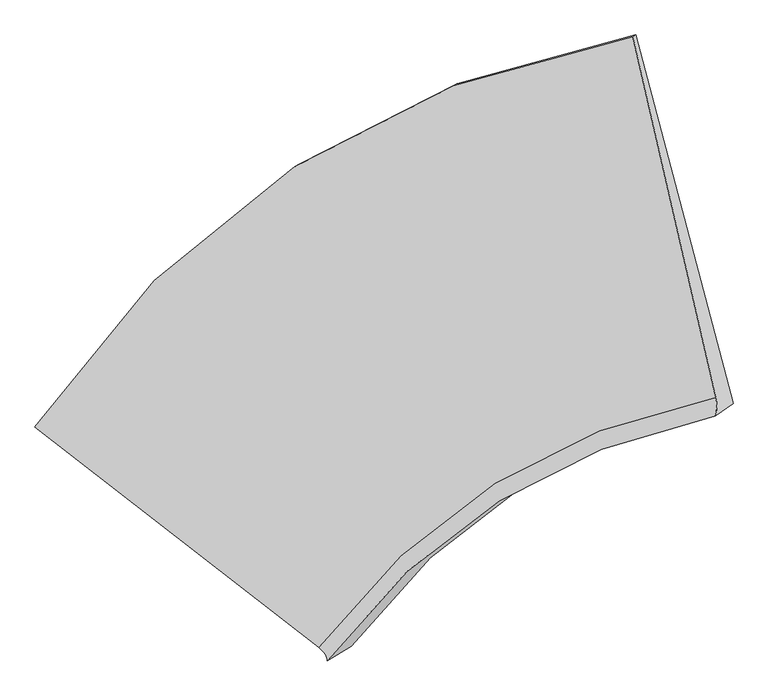
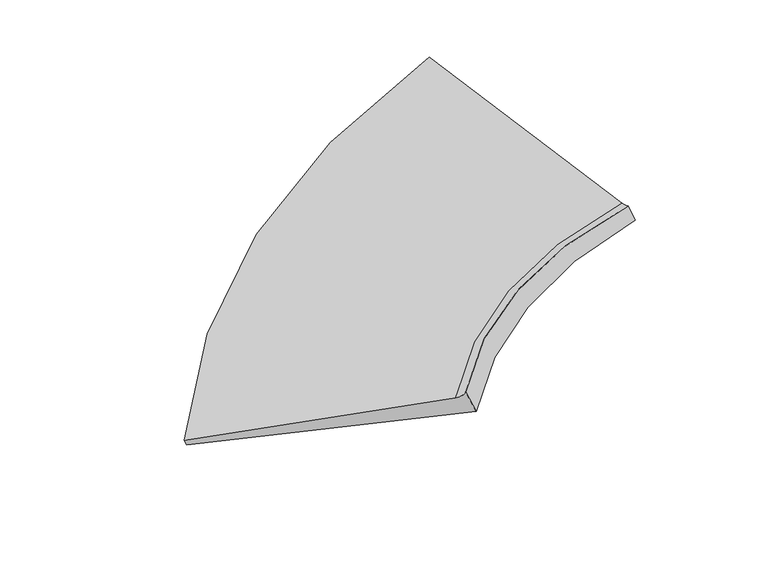
"""IFC4 building model written with IfcOpenShell, lengths in millimetres: proxy geometry."""

from ifc_helpers import new_model, si_unit, frame, origin, place, context, project, spatial, source, transform, mapped, element, save
from ifc_brep_helpers import plane_surface, spline_curve, spline_surface, advanced_brep


def generic_models_e5d36cf1(model_context):
    return source(origin(), model_context, "Body", "AdvancedBrep", [
        advanced_brep(
        [(-3749.0966824, -5536.0764744, 474.003489), (-3793.6010134, -5562.3412568, 563.2313993), (823.7955606, -2545.8814483, 1867.0366389), (845.2855585, -2533.1988598, 1823.9507738), (-1601.8096961, -7267.8429926, 1358.7769823), (1464.9658008, -5335.0986015, 1529.3696855), (-1536.9366919, -7368.8545016, 1469.7711388), (1460.3601779, -5479.7037857, 1581.0599552), (-1350.6310153, -7258.9038981, 1096.2419602), (1598.2834611, -5379.7356965, 1298.9770017)],
        [
            (0, 1),
            (1, 2, spline_curve(3, [(-3793.6010134, -5562.3412568, 563.2313993), (-3231.833183303, -4725.938949569, 764.882679215), (-2563.152861768, -4055.837874054, 975.077614596), (-1021.428250356, -3054.383753272, 1409.88652791), (-150.976380481, -2718.998225777, 1634.293339369), (823.7955606, -2545.8814483, 1867.0366389)], [4, 2, 4], [0.0, 9.5393425114954, 18.962320024969237])),
            (2, 3),
            (3, 0, spline_curve(3, [(845.2855585, -2533.1988598, 1823.9507738), (-125.244241969, -2703.812085644, 1582.702294451), (-991.667630444, -3036.820154658, 1350.2186742), (-2525.715488179, -4033.743744213, 900.018433818), (-3190.752846668, -4701.694880051, 682.519625747), (-3749.0966824, -5536.0764744, 474.003489)], [4, 2, 4], [0.0, 9.422977513473837, 18.962320024969237])),
            (1, 4),
            (4, 5, spline_curve(3, [(-1601.8096961, -7267.8429926, 1358.7769823), (-1211.361259664, -6744.214634066, 1382.740025038), (-758.624195909, -6320.962256749, 1409.03909188), (265.144681079, -5679.14804904, 1465.959970182), (834.666116508, -5458.152296059, 1496.525137867), (1464.9658008, -5335.0986015, 1529.3696855)], [4, 2, 4], [0.0, 7.794702863532818, 15.494322592960675])),
            (5, 2),
            (4, 6, spline_curve(3, [(-1601.8096961, -7267.8429926, 1358.7769823), (-1590.322273732, -7277.179869937, 1363.635546172), (-1580.355186026, -7286.286934361, 1369.591847341), (-1563.461679974, -7304.041437439, 1383.699924259), (-1556.535261584, -7312.688876154, 1391.851699953), (-1545.723094216, -7329.524127646, 1410.350726047), (-1541.837345243, -7337.711940447, 1420.697976371), (-1537.106516557, -7353.627940353, 1443.587951629), (-1536.261436901, -7361.35612744, 1456.130676584), (-1536.9366919, -7368.8545016, 1469.7711388)], [4, 2, 2, 2, 4], [0.0, 0.13916796488650462, 0.27833592977300925, 0.4175038946595139, 0.5566718595460185])),
            (6, 7, spline_curve(3, [(-1536.9366919, -7368.8545016, 1469.7711388), (-1155.253193723, -6860.595558507, 1486.844603469), (-712.732870178, -6448.658259888, 1504.717189726), (287.841261432, -5821.276967246, 1541.832838966), (844.419894324, -5603.497360565, 1561.056524956), (1460.3601779, -5479.7037857, 1581.0599552)], [4, 2, 4], [0.0, 6.030777593807959, 11.987989171726849])),
            (7, 5, spline_curve(3, [(1460.3601779, -5479.7037857, 1581.0599552), (1464.014713294, -5469.678509664, 1571.378417659), (1466.851565251, -5459.146944626, 1563.04038391), (1470.889902549, -5437.071236574, 1549.05132389), (1472.091387891, -5425.527093515, 1543.400297679), (1472.858991709, -5401.426229485, 1534.785252721), (1472.425110232, -5388.8695085, 1531.821233948), (1469.921980568, -5362.7434885, 1528.580204052), (1467.852732376, -5349.17418949, 1528.303192918), (1464.9658008, -5335.0986015, 1529.3696855)], [4, 2, 2, 2, 4], [0.0, 0.13916796488650462, 0.27833592977300925, 0.4175038946595139, 0.5566718595460185])),
            (6, 8),
            (8, 9, spline_curve(3, [(-1350.6310153, -7258.9038981, 1096.2419602), (-972.314812934, -6755.784816082, 1121.009948694), (-535.549307492, -6347.243794804, 1150.420521848), (448.839466715, -5723.147728667, 1218.111442702), (995.04545348, -5505.299349257, 1256.279216578), (1598.2834611, -5379.7356965, 1298.9770017)], [4, 2, 4], [0.0, 5.9369323596184005, 11.801443467829943])),
            (9, 7),
            (8, 0),
            (3, 9),
        ],
        [
            spline_surface(3, 3, [[(-3749.0966824, -5536.0764744, 474.003489), (-3190.752846573, -4701.694879962, 682.519625639), (-2525.715488131, -4033.743744196, 900.018433706), (-991.667630491, -3036.820154675, 1350.218674311), (-125.244241965, -2703.81208555, 1582.7022945), (845.2855585, -2533.1988598, 1823.9507738)], [(-3763.931459396, -5544.831401859, 503.746125779), (-3204.446292151, -4709.776236543, 709.973976869), (-2538.194612712, -4041.108454194, 925.038160651), (-1001.58783709, -3042.674687518, 1370.107958911), (-133.821621435, -2708.874132324, 1599.899309471), (838.122225882, -2537.426389304, 1838.312728836)], [(-3778.766236404, -5553.586329341, 533.488762521), (-3218.13973774, -4717.857593145, 737.42832806), (-2550.673737274, -4048.473164157, 950.057887522), (-1011.508043671, -3048.529220328, 1389.997243438), (-142.39900095, -2713.936179087, 1617.096324433), (830.958893218, -2541.653918796, 1852.674683864)], [(-3793.6010134, -5562.3412568, 563.2313993), (-3231.833183317, -4725.938949726, 764.882679289), (-2563.152861854, -4055.837874155, 975.077614466), (-1021.42825027, -3054.383753172, 1409.886528038), (-150.97638042, -2718.998225862, 1634.293339403), (823.7955606, -2545.8814483, 1867.0366389)]], [4, 4], [4, 2, 4], [0.0, 0.25575649192459066], [0.0, 9.5393425114954, 18.962320024969237]),
            spline_surface(3, 3, [[(-3793.6010134, -5562.3412568, 563.2313993), (-3231.833183317, -4725.938949726, 764.882679289), (-2563.152861854, -4055.837874155, 975.077614466), (-1021.42825027, -3054.383753172, 1409.886528038), (-150.97638042, -2718.998225862, 1634.293339403), (823.7955606, -2545.8814483, 1867.0366389)], [(-3063.003907613, -6130.841835413, 828.413260294), (-2558.342542095, -5398.697511224, 970.835127863), (-1961.643306592, -4810.879335022, 1119.731440223), (-592.57060648, -3929.305185095, 1428.577675419), (177.571118531, -3632.049582562, 1588.370605557), (1037.518973995, -3475.620499348, 1754.480987763)], [(-2332.406801887, -6699.342413987, 1093.595121306), (-1884.851900936, -6071.456072683, 1176.787576456), (-1360.133751261, -5565.920795935, 1264.385266052), (-163.712962622, -4804.226617064, 1447.268822872), (506.118617499, -4545.100939317, 1542.447871722), (1251.242387405, -4405.359550452, 1641.925336637)], [(-1601.8096961, -7267.8429926, 1358.7769823), (-1211.361259714, -6744.214634182, 1382.740025029), (-758.624195999, -6320.962256802, 1409.039091809), (265.144681168, -5679.148048987, 1465.959970252), (834.66611645, -5458.152296017, 1496.525137876), (1464.9658008, -5335.0986015, 1529.3696855)]], [4, 4], [4, 2, 4], [0.0, 9.523850363437527], [0.0, 7.794702863532818, 15.494322592960675]),
            spline_surface(3, 3, [[(-1601.8096961, -7267.8429926, 1358.7769823), (-1211.361259714, -6744.214634182, 1382.740025029), (-758.624195999, -6320.962256802, 1409.039091809), (265.144681168, -5679.148048987, 1465.959970252), (834.66611645, -5458.152296017, 1496.525137876), (1464.9658008, -5335.0986015, 1529.3696855)], [(-1590.322273732, -7277.179869935, 1363.635546171), (-1200.79251477, -6755.381484977, 1386.642543819), (-749.237501882, -6333.438233436, 1411.966688221), (271.658158727, -5693.190966297, 1466.912090109), (839.494814572, -5472.465657707, 1496.477161294), (1467.852732375, -5349.174189492, 1528.303192919)], [(-1580.355186026, -7286.286934358, 1369.591847343), (-1191.697038011, -6766.181225647, 1391.738278306), (-741.241412055, -6345.455549301, 1416.155679222), (277.016112266, -5706.684173403, 1469.206864753), (843.319541858, -5486.228701161, 1497.785582703), (1469.921980567, -5362.743488497, 1528.580204051)], [(-1563.461679974, -7304.041437442, 1383.699924257), (-1176.452620899, -6787.046486794, 1404.316178644), (-728.030440772, -6368.572859523, 1427.056450458), (285.420971512, -5732.571167242, 1476.481723671), (848.961054805, -5512.654151564, 1503.115221717), (1472.425110233, -5388.869508503, 1531.821233949)], [(-1556.535261583, -7312.688876152, 1391.851699956), (-1170.303680502, -6797.112007321, 1411.798344449), (-722.815559316, -6379.672853848, 1433.76823066), (288.46787722, -5744.96495394, 1481.46180791), (850.777840467, -5525.316558498, 1507.136439325), (1472.858991709, -5401.426229487, 1534.785252721)], [(-1545.723094217, -7329.524127648, 1410.350726044), (-1160.952336168, -6816.508828025, 1429.149107544), (-715.167004983, -6400.955521027, 1449.714580308), (292.250640596, -5768.653106999, 1494.107286032), (852.403470116, -5549.540735924, 1517.891670516), (1472.091387891, -5425.527093513, 1543.400297679)], [(-1541.837345241, -7337.711940445, 1420.697976369), (-1157.749932232, -6825.84012821, 1439.017704768), (-712.733332098, -6411.138193911, 1458.949149709), (292.986498272, -5779.947473389, 1501.772679866), (852.212314055, -5561.102506437, 1524.625684122), (1470.889902551, -5437.071236576, 1549.05132389)], [(-1537.106516559, -7353.627940355, 1443.587951631), (-1154.291660675, -6843.76850847, 1461.141330621), (-710.647194715, -6430.586218046, 1479.94107777), (292.147165777, -5801.436785668, 1519.788777191), (849.822060406, -5583.125410886, 1540.806507491), (1466.851565249, -5459.146944624, 1563.04038391)], [(-1536.261436899, -7361.356127438, 1456.130676582), (-1154.035793101, -6852.365588513, 1473.396359264), (-710.994730301, -6439.85156929, 1491.69843647), (290.571975522, -5811.631731549, 1530.139480721), (847.622962822, -5593.586544878, 1550.253317196), (1464.014713293, -5469.678509665, 1571.37841766)], [(-1536.9366919, -7368.8545016, 1469.7711388), (-1155.253193712, -6860.595558421, 1486.844603569), (-712.732870084, -6448.658259836, 1504.717189707), (287.841261339, -5821.276967298, 1541.832838985), (844.419894349, -5603.497360614, 1561.056524969), (1460.3601779, -5479.7037857, 1581.0599552)]], [4, 2, 2, 2, 4], [4, 2, 4], [0.0, 0.13916796488650462, 0.27833592977300925, 0.4175038946595139, 0.5566718595460185], [0.0, 6.030777593807959, 11.987989171726849]),
            spline_surface(3, 3, [[(-1536.9366919, -7368.8545016, 1469.7711388), (-1155.253193712, -6860.595558421, 1486.844603569), (-712.732870084, -6448.658259836, 1504.717189707), (287.841261339, -5821.276967298, 1541.832838985), (844.419894349, -5603.497360614, 1561.056524969), (1460.3601779, -5479.7037857, 1581.0599552)], [(-1474.834799727, -7332.204300441, 1345.261412587), (-1094.273733472, -6825.658644335, 1364.899718587), (-653.671682561, -6414.853438162, 1386.618300431), (341.507329788, -5788.567221041, 1433.925706895), (894.628414031, -5570.764690203, 1459.464088849), (1506.334605627, -5446.381089316, 1487.032304019)], [(-1412.732907473, -7295.554099259, 1220.751686413), (-1033.294273151, -6790.721730225, 1242.954833644), (-594.610495011, -6381.048616553, 1268.519411134), (395.173398262, -5755.85747485, 1326.018574782), (944.836933733, -5538.032019744, 1357.871652773), (1552.309033373, -5413.058392884, 1393.004652881)], [(-1350.6310153, -7258.9038981, 1096.2419602), (-972.314812912, -6755.784816139, 1121.009948662), (-535.549307488, -6347.243794879, 1150.420521859), (448.83946671, -5723.147728592, 1218.111442691), (995.045453416, -5505.299349333, 1256.279216653), (1598.2834611, -5379.7356965, 1298.9770017)]], [4, 4], [4, 2, 4], [0.0, 1.2859796147966327], [0.0, 5.9369323596184005, 11.801443467829943]),
            spline_surface(3, 3, [[(-1350.6310153, -7258.9038981, 1096.2419602), (-972.314812912, -6755.784816139, 1121.009948662), (-535.549307488, -6347.243794879, 1150.420521859), (448.83946671, -5723.147728592, 1218.111442691), (995.045453416, -5505.299349333, 1256.279216653), (1598.2834611, -5379.7356965, 1298.9770017)], [(-2150.119570998, -6684.628090192, 888.829136463), (-1711.794157463, -6071.088170739, 974.846507651), (-1198.938034359, -5576.077111331, 1066.953159136), (-31.32956568, -4827.705203965, 1262.14718656), (621.615554955, -4571.470261417, 1365.086909266), (1347.284160233, -4430.890084278, 1473.968259064)], [(-2949.608126702, -6110.352282308, 681.416312737), (-2451.273502022, -5386.391525362, 828.68306665), (-1862.32676126, -4804.910427745, 983.485796429), (-511.4985981, -3932.262679301, 1306.182930443), (248.185656496, -3637.641173466, 1473.894601887), (1096.284859367, -3482.044472022, 1648.959516436)], [(-3749.0966824, -5536.0764744, 474.003489), (-3190.752846573, -4701.694879962, 682.519625639), (-2525.715488131, -4033.743744196, 900.018433706), (-991.667630491, -3036.820154675, 1350.218674311), (-125.244241965, -2703.81208555, 1582.7022945), (845.2855585, -2533.1988598, 1823.9507738)]], [4, 4], [4, 2, 4], [0.0, 9.949019813289988], [0.0, 7.675030756558688, 15.256438190783982]),
            plane_surface(frame((1238.5381118, -4254.7236784, 1620.078811), z_axis=(0.868438271125686, 0.1421290463482457, 0.47498874031746063), x_axis=(-0.43161136111256926, -0.2547207927789249, 0.8653490340230533))),
            plane_surface(frame((-2406.4150198, -6598.8038247, 992.4049939), z_axis=(-0.44155815379013336, -0.7768570683577269, -0.4489092248596447), x_axis=(0.794736437359076, -0.5708623424130378, 0.20617997271438193))),
        ],
        [
            (0, [[1, 2, 3, 4]]),
            (1, [[5, 6, 7, -2]]),
            (2, [[8, 9, 10, -6]]),
            (3, [[11, 12, 13, -9]]),
            (4, [[14, -4, 15, -12]]),
            (5, [[-3, -7, -10, -13, -15]]),
            (6, [[-14, -11, -8, -5, -1]]),
        ],
    ),
    ])


if __name__ == "__main__":
    model = new_model("IFC4")
    model_context = context("Model", 3, world=origin())
    ifc_project = project(units=[si_unit("LENGTHUNIT", "METRE", prefix="MILLI")], contexts=[model_context])
    site = spatial("IfcSite", under=ifc_project)
    building = spatial("IfcBuilding", under=site)
    placement = place(None, origin())
    generic_models_shape = generic_models_e5d36cf1(model_context)
    element("IfcBuildingElementProxy", 1, Name="Generic Models", at=placement, inside=building, context=model_context, shape_type="MappedRepresentation", body=[
        mapped(generic_models_shape, transform((0.0, 0.0, 0.0), x_axis=(1.0, 0.0, 0.0), y_axis=(0.0, 1.0, 0.0), z_axis=(0.0, 0.0, 1.0))),
    ])
    save(model, "model.ifc")
